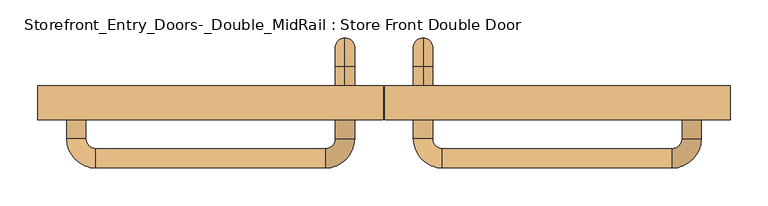
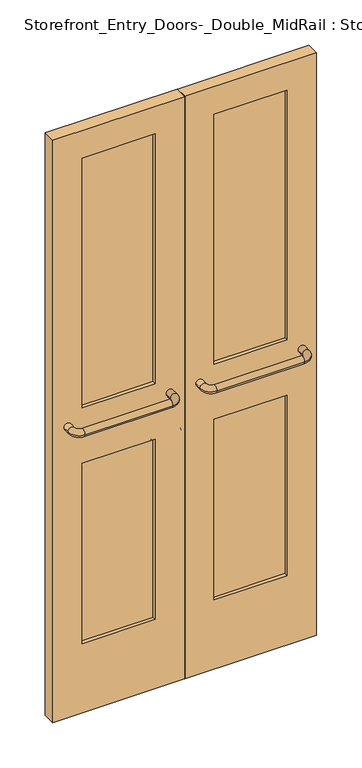
"""IFC4 building model written with IfcOpenShell, lengths in millimetres: door geometry, Storefront_Entry_Doors-_Double_MidRail : Store Front Double Door."""

from ifc_helpers import new_model, si_unit, point, frame, origin, place, context, project, spatial, polyline, circle_curve, ellipse_curve, trimmed, outline, extrude, source, transform, mapped, element, save
from ifc_brep_helpers import plane_surface, cylinder_surface, revolved_surface, advanced_brep


def storefront_entry_doors_double_midrail_store_front_double_24a458a9(model_context):
    return source(origin(), model_context, "Body", "SolidModel", [
        advanced_brep(
        [(51.59375, 50.8, 1079.5), (51.59375, 50.8, 1054.1), (51.59375, 76.2, 1079.5), (51.59375, 76.2, 1054.1), (51.59375, 88.9, 1041.4), (51.59375, 114.3, 1041.4), (51.59375, 114.3, 863.6), (51.59375, 88.9, 863.6), (51.59375, 76.2, 850.9), (51.59375, 76.2, 825.5), (51.59375, 50.8, 825.5), (51.59375, 50.8, 850.9)],
        [
            (0, 1, circle_curve(frame((51.59375, 50.8, 1066.8), z_axis=(0.0, -1.0, 0.0), x_axis=(0.0, 0.0, -1.0)), 12.7)),
            (1, 0, circle_curve(frame((51.59375, 50.8, 1066.8), z_axis=(0.0, -1.0, 0.0), x_axis=(0.0, 0.0, -1.0)), 12.7)),
            (0, 2),
            (2, 3, circle_curve(frame((51.59375, 76.2, 1066.8), z_axis=(0.0, -1.0, 0.0), x_axis=(0.0, 0.0, -1.0)), 12.7)),
            (3, 1),
            (3, 2, circle_curve(frame((51.59375, 76.2, 1066.8), z_axis=(0.0, -1.0, 0.0), x_axis=(0.0, 0.0, -1.0)), 12.7)),
            (4, 3, circle_curve(frame((51.59375, 76.2, 1041.4), z_axis=(1.0, 0.0, 0.0), x_axis=(0.0, 0.0, 1.0)), 12.7)),
            (2, 5, circle_curve(frame((51.59375, 76.2, 1041.4), z_axis=(-1.0, 0.0, 0.0), x_axis=(0.0, 0.0, 1.0)), 38.1)),
            (5, 4, circle_curve(frame((51.59375, 101.6, 1041.4), z_axis=(0.0, 0.0, 1.0), x_axis=(0.0, -1.0, 0.0)), 12.7)),
            (4, 5, circle_curve(frame((51.59375, 101.6, 1041.4), z_axis=(0.0, 0.0, 1.0), x_axis=(0.0, -1.0, 0.0)), 12.7)),
            (5, 6),
            (6, 7, circle_curve(frame((51.59375, 101.6, 863.6), z_axis=(0.0, 0.0, 1.0), x_axis=(0.0, -1.0, 0.0)), 12.7)),
            (7, 4),
            (7, 6, circle_curve(frame((51.59375, 101.6, 863.6), z_axis=(0.0, 0.0, 1.0), x_axis=(0.0, -1.0, 0.0)), 12.7)),
            (8, 7, circle_curve(frame((51.59375, 76.2, 863.6), z_axis=(1.0, 0.0, 0.0), x_axis=(0.0, 1.0, 0.0)), 12.7)),
            (6, 9, circle_curve(frame((51.59375, 76.2, 863.6), z_axis=(-1.0, 0.0, 0.0), x_axis=(0.0, 1.0, 0.0)), 38.1)),
            (9, 8, circle_curve(frame((51.59375, 76.2, 838.2), z_axis=(0.0, 1.0, 0.0), x_axis=(0.0, 0.0, 1.0)), 12.7)),
            (8, 9, circle_curve(frame((51.59375, 76.2, 838.2), z_axis=(0.0, 1.0, 0.0), x_axis=(0.0, 0.0, 1.0)), 12.7)),
            (10, 11, circle_curve(frame((51.59375, 50.8, 838.2), z_axis=(0.0, -1.0, 0.0), x_axis=(0.0, 0.0, 1.0)), 12.7)),
            (11, 10, circle_curve(frame((51.59375, 50.8, 838.2), z_axis=(0.0, -1.0, 0.0), x_axis=(0.0, 0.0, 1.0)), 12.7)),
            (9, 10),
            (11, 8),
        ],
        [
            plane_surface(frame((51.59375, 50.8, 1066.8), z_axis=(0.0, -1.0, 0.0), x_axis=(-1.0, 0.0, 0.0))),
            cylinder_surface(frame((51.59375, 50.8, 1066.8), z_axis=(0.0, -1.0, 0.0), x_axis=(0.0, 0.0, -1.0)), 12.7),
            revolved_surface(trimmed(ellipse_curve(frame((51.59375, 76.2, 1066.8), z_axis=(0.0, -1.0, 0.0), x_axis=(0.0, 0.0, -1.0)), 12.7, 12.7), [point((51.59375, 76.2, 1079.5))], [point((51.59375, 76.2, 1054.1))], True, "CARTESIAN"), (51.59375, 76.2, 1041.4), (-1.0, 0.0, 0.0)),
            revolved_surface(trimmed(ellipse_curve(frame((51.59375, 76.2, 1066.8), z_axis=(0.0, -1.0, 0.0), x_axis=(0.0, 0.0, -1.0)), 12.7, 12.7), [point((51.59375, 76.2, 1054.1))], [point((51.59375, 76.2, 1079.5))], True, "CARTESIAN"), (51.59375, 76.2, 1041.4), (-1.0, 0.0, 0.0)),
            cylinder_surface(frame((51.59375, 101.6, 1041.4), z_axis=(0.0, 0.0, 1.0), x_axis=(0.0, -1.0, 0.0)), 12.7),
            revolved_surface(trimmed(ellipse_curve(frame((51.59375, 101.6, 863.6), z_axis=(0.0, 0.0, 1.0), x_axis=(0.0, -1.0, 0.0)), 12.7, 12.7), [point((51.59375, 114.3, 863.6))], [point((51.59375, 88.9, 863.6))], True, "CARTESIAN"), (51.59375, 76.2, 863.6), (-1.0, 0.0, 0.0)),
            revolved_surface(trimmed(ellipse_curve(frame((51.59375, 101.6, 863.6), z_axis=(0.0, 0.0, 1.0), x_axis=(0.0, -1.0, 0.0)), 12.7, 12.7), [point((51.59375, 88.9, 863.6))], [point((51.59375, 114.3, 863.6))], True, "CARTESIAN"), (51.59375, 76.2, 863.6), (-1.0, 0.0, 0.0)),
            plane_surface(frame((51.59375, 50.8, 838.2), z_axis=(0.0, -1.0, 0.0), x_axis=(-1.0, 0.0, 0.0))),
            cylinder_surface(frame((51.59375, 76.2, 838.2), z_axis=(0.0, 1.0, 0.0), x_axis=(0.0, 0.0, 1.0)), 12.7),
        ],
        [
            (0, [[1, 2]]),
            (1, [[-1, 3, 4, 5]]),
            (1, [[-2, -5, 6, -3]]),
            (2, [[7, -4, 8, 9]]),
            (3, [[-8, -6, -7, 10]]),
            (4, [[-9, 11, 12, 13]]),
            (4, [[-10, -13, 14, -11]]),
            (5, [[15, -12, 16, 17]]),
            (6, [[-16, -14, -15, 18]]),
            (7, [[19, 20]]),
            (8, [[-17, 21, -20, 22]]),
            (8, [[-18, -22, -19, -21]]),
        ],
    ),
        advanced_brep(
        [(393.7, 6.35, 1066.8), (419.1, 6.35, 1066.8), (393.7, -19.05, 1066.8), (419.1, -19.05, 1066.8), (381.0, -57.15, 1066.8), (381.0, -31.75, 1066.8), (76.99375, -31.75, 1066.8), (76.99375, -57.15, 1066.8), (38.89375, -19.05, 1066.8), (64.29375, -19.05, 1066.8), (64.29375, 6.35, 1066.8), (38.89375, 6.35, 1066.8)],
        [
            (0, 1, circle_curve(frame((406.4, 6.35, 1066.8), z_axis=(0.0, 1.0, 0.0), x_axis=(1.0, 0.0, 0.0)), 12.7)),
            (1, 0, circle_curve(frame((406.4, 6.35, 1066.8), z_axis=(0.0, 1.0, 0.0), x_axis=(1.0, 0.0, 0.0)), 12.7)),
            (0, 2),
            (2, 3, circle_curve(frame((406.4, -19.05, 1066.8), z_axis=(0.0, 1.0, 0.0), x_axis=(1.0, 0.0, 0.0)), 12.7)),
            (3, 1),
            (3, 2, circle_curve(frame((406.4, -19.05, 1066.8), z_axis=(0.0, 1.0, 0.0), x_axis=(1.0, 0.0, 0.0)), 12.7)),
            (4, 3, circle_curve(frame((381.0, -19.05, 1066.8), z_axis=(0.0, 0.0, 1.0), x_axis=(1.0, 0.0, 0.0)), 38.1)),
            (2, 5, circle_curve(frame((381.0, -19.05, 1066.8), z_axis=(0.0, 0.0, -1.0), x_axis=(1.0, 0.0, 0.0)), 12.7)),
            (5, 4, circle_curve(frame((381.0, -44.45, 1066.8), z_axis=(1.0, 0.0, 0.0), x_axis=(0.0, -1.0, 0.0)), 12.7)),
            (4, 5, circle_curve(frame((381.0, -44.45, 1066.8), z_axis=(1.0, 0.0, 0.0), x_axis=(0.0, -1.0, 0.0)), 12.7)),
            (5, 6),
            (6, 7, circle_curve(frame((76.99375, -44.45, 1066.8), z_axis=(1.0, 0.0, 0.0), x_axis=(0.0, -1.0, 0.0)), 12.7)),
            (7, 4),
            (7, 6, circle_curve(frame((76.99375, -44.45, 1066.8), z_axis=(1.0, 0.0, 0.0), x_axis=(0.0, -1.0, 0.0)), 12.7)),
            (8, 7, circle_curve(frame((76.99375, -19.05, 1066.8), z_axis=(0.0, 0.0, 1.0), x_axis=(0.0, -1.0, 0.0)), 38.1)),
            (6, 9, circle_curve(frame((76.99375, -19.05, 1066.8), z_axis=(0.0, 0.0, -1.0), x_axis=(0.0, -1.0, 0.0)), 12.7)),
            (9, 8, circle_curve(frame((51.59375, -19.05, 1066.8), z_axis=(0.0, -1.0, 0.0), x_axis=(-1.0, 0.0, 0.0)), 12.7)),
            (8, 9, circle_curve(frame((51.59375, -19.05, 1066.8), z_axis=(0.0, -1.0, 0.0), x_axis=(-1.0, 0.0, 0.0)), 12.7)),
            (10, 11, circle_curve(frame((51.59375, 6.35, 1066.8), z_axis=(0.0, 1.0, 0.0), x_axis=(-1.0, 0.0, 0.0)), 12.7)),
            (11, 10, circle_curve(frame((51.59375, 6.35, 1066.8), z_axis=(0.0, 1.0, 0.0), x_axis=(-1.0, 0.0, 0.0)), 12.7)),
            (9, 10),
            (11, 8),
        ],
        [
            plane_surface(frame((406.4, 6.35, 1066.8), z_axis=(0.0, 1.0, 0.0), x_axis=(0.0, 0.0, 1.0))),
            cylinder_surface(frame((406.4, 6.35, 1066.8), z_axis=(0.0, 1.0, 0.0), x_axis=(1.0, 0.0, 0.0)), 12.7),
            revolved_surface(trimmed(ellipse_curve(frame((406.4, -19.05, 1066.8), z_axis=(0.0, 1.0, 0.0), x_axis=(1.0, 0.0, 0.0)), 12.7, 12.7), [point((393.7, -19.05, 1066.8))], [point((419.1, -19.05, 1066.8))], True, "CARTESIAN"), (381.0, -19.05, 1066.8), (0.0, 0.0, -1.0)),
            revolved_surface(trimmed(ellipse_curve(frame((406.4, -19.05, 1066.8), z_axis=(0.0, 1.0, 0.0), x_axis=(1.0, 0.0, 0.0)), 12.7, 12.7), [point((419.1, -19.05, 1066.8))], [point((393.7, -19.05, 1066.8))], True, "CARTESIAN"), (381.0, -19.05, 1066.8), (0.0, 0.0, -1.0)),
            cylinder_surface(frame((381.0, -44.45, 1066.8), z_axis=(1.0, 0.0, 0.0), x_axis=(0.0, -1.0, 0.0)), 12.7),
            revolved_surface(trimmed(ellipse_curve(frame((76.99375, -44.45, 1066.8), z_axis=(1.0, 0.0, 0.0), x_axis=(0.0, -1.0, 0.0)), 12.7, 12.7), [point((76.99375, -31.75, 1066.8))], [point((76.99375, -57.15, 1066.8))], True, "CARTESIAN"), (76.99375, -19.05, 1066.8), (0.0, 0.0, -1.0)),
            revolved_surface(trimmed(ellipse_curve(frame((76.99375, -44.45, 1066.8), z_axis=(1.0, 0.0, 0.0), x_axis=(0.0, -1.0, 0.0)), 12.7, 12.7), [point((76.99375, -57.15, 1066.8))], [point((76.99375, -31.75, 1066.8))], True, "CARTESIAN"), (76.99375, -19.05, 1066.8), (0.0, 0.0, -1.0)),
            plane_surface(frame((51.59375, 6.35, 1066.8), z_axis=(0.0, 1.0, 0.0), x_axis=(0.0, 0.0, 1.0))),
            cylinder_surface(frame((51.59375, -19.05, 1066.8), z_axis=(0.0, -1.0, 0.0), x_axis=(-1.0, 0.0, 0.0)), 12.7),
        ],
        [
            (0, [[1, 2]]),
            (1, [[-1, 3, 4, 5]]),
            (1, [[-2, -5, 6, -3]]),
            (2, [[7, -4, 8, 9]]),
            (3, [[-8, -6, -7, 10]]),
            (4, [[-9, 11, 12, 13]]),
            (4, [[-10, -13, 14, -11]]),
            (5, [[15, -12, 16, 17]]),
            (6, [[-16, -14, -15, 18]]),
            (7, [[19, 20]]),
            (8, [[-17, 21, -20, 22]]),
            (8, [[-18, -22, -19, -21]]),
        ],
    ),
        advanced_brep(
        [(-51.59375, 50.8, 1054.1), (-51.59375, 50.8, 1079.5), (-51.59375, 76.2, 1054.1), (-51.59375, 76.2, 1079.5), (-51.59375, 114.3, 1041.4), (-51.59375, 88.9, 1041.4), (-51.59375, 88.9, 863.6), (-51.59375, 114.3, 863.6), (-51.59375, 76.2, 825.5), (-51.59375, 76.2, 850.9), (-51.59375, 50.8, 850.9), (-51.59375, 50.8, 825.5)],
        [
            (0, 1, circle_curve(frame((-51.59375, 50.8, 1066.8), z_axis=(0.0, -1.0, 0.0), x_axis=(0.0, 0.0, 1.0)), 12.7)),
            (1, 0, circle_curve(frame((-51.59375, 50.8, 1066.8), z_axis=(0.0, -1.0, 0.0), x_axis=(0.0, 0.0, 1.0)), 12.7)),
            (0, 2),
            (2, 3, circle_curve(frame((-51.59375, 76.2, 1066.8), z_axis=(0.0, -1.0, 0.0), x_axis=(0.0, 0.0, 1.0)), 12.7)),
            (3, 1),
            (3, 2, circle_curve(frame((-51.59375, 76.2, 1066.8), z_axis=(0.0, -1.0, 0.0), x_axis=(0.0, 0.0, 1.0)), 12.7)),
            (4, 3, circle_curve(frame((-51.59375, 76.2, 1041.4), z_axis=(1.0, 0.0, 0.0), x_axis=(0.0, 0.0, 1.0)), 38.1)),
            (2, 5, circle_curve(frame((-51.59375, 76.2, 1041.4), z_axis=(-1.0, 0.0, 0.0), x_axis=(0.0, 0.0, 1.0)), 12.7)),
            (5, 4, circle_curve(frame((-51.59375, 101.6, 1041.4), z_axis=(0.0, 0.0, 1.0), x_axis=(0.0, 1.0, 0.0)), 12.7)),
            (4, 5, circle_curve(frame((-51.59375, 101.6, 1041.4), z_axis=(0.0, 0.0, 1.0), x_axis=(0.0, 1.0, 0.0)), 12.7)),
            (5, 6),
            (6, 7, circle_curve(frame((-51.59375, 101.6, 863.6), z_axis=(0.0, 0.0, 1.0), x_axis=(0.0, 1.0, 0.0)), 12.7)),
            (7, 4),
            (7, 6, circle_curve(frame((-51.59375, 101.6, 863.6), z_axis=(0.0, 0.0, 1.0), x_axis=(0.0, 1.0, 0.0)), 12.7)),
            (8, 7, circle_curve(frame((-51.59375, 76.2, 863.6), z_axis=(1.0, 0.0, 0.0), x_axis=(0.0, 1.0, 0.0)), 38.1)),
            (6, 9, circle_curve(frame((-51.59375, 76.2, 863.6), z_axis=(-1.0, 0.0, 0.0), x_axis=(0.0, 1.0, 0.0)), 12.7)),
            (9, 8, circle_curve(frame((-51.59375, 76.2, 838.2), z_axis=(0.0, 1.0, 0.0), x_axis=(0.0, 0.0, -1.0)), 12.7)),
            (8, 9, circle_curve(frame((-51.59375, 76.2, 838.2), z_axis=(0.0, 1.0, 0.0), x_axis=(0.0, 0.0, -1.0)), 12.7)),
            (10, 11, circle_curve(frame((-51.59375, 50.8, 838.2), z_axis=(0.0, -1.0, 0.0), x_axis=(0.0, 0.0, -1.0)), 12.7)),
            (11, 10, circle_curve(frame((-51.59375, 50.8, 838.2), z_axis=(0.0, -1.0, 0.0), x_axis=(0.0, 0.0, -1.0)), 12.7)),
            (9, 10),
            (11, 8),
        ],
        [
            plane_surface(frame((-51.59375, 50.8, 1066.8), z_axis=(0.0, -1.0, 0.0), x_axis=(1.0, 0.0, 0.0))),
            cylinder_surface(frame((-51.59375, 50.8, 1066.8), z_axis=(0.0, -1.0, 0.0), x_axis=(0.0, 0.0, 1.0)), 12.7),
            revolved_surface(trimmed(ellipse_curve(frame((-51.59375, 76.2, 1066.8), z_axis=(0.0, -1.0, 0.0), x_axis=(0.0, 0.0, 1.0)), 12.7, 12.7), [point((-51.59375, 76.2, 1054.1))], [point((-51.59375, 76.2, 1079.5))], True, "CARTESIAN"), (-51.59375, 76.2, 1041.4), (-1.0, 0.0, 0.0)),
            revolved_surface(trimmed(ellipse_curve(frame((-51.59375, 76.2, 1066.8), z_axis=(0.0, -1.0, 0.0), x_axis=(0.0, 0.0, 1.0)), 12.7, 12.7), [point((-51.59375, 76.2, 1079.5))], [point((-51.59375, 76.2, 1054.1))], True, "CARTESIAN"), (-51.59375, 76.2, 1041.4), (-1.0, 0.0, 0.0)),
            cylinder_surface(frame((-51.59375, 101.6, 1041.4), z_axis=(0.0, 0.0, 1.0), x_axis=(0.0, 1.0, 0.0)), 12.7),
            revolved_surface(trimmed(ellipse_curve(frame((-51.59375, 101.6, 863.6), z_axis=(0.0, 0.0, 1.0), x_axis=(0.0, 1.0, 0.0)), 12.7, 12.7), [point((-51.59375, 88.9, 863.6))], [point((-51.59375, 114.3, 863.6))], True, "CARTESIAN"), (-51.59375, 76.2, 863.6), (-1.0, 0.0, 0.0)),
            revolved_surface(trimmed(ellipse_curve(frame((-51.59375, 101.6, 863.6), z_axis=(0.0, 0.0, 1.0), x_axis=(0.0, 1.0, 0.0)), 12.7, 12.7), [point((-51.59375, 114.3, 863.6))], [point((-51.59375, 88.9, 863.6))], True, "CARTESIAN"), (-51.59375, 76.2, 863.6), (-1.0, 0.0, 0.0)),
            plane_surface(frame((-51.59375, 50.8, 838.2), z_axis=(0.0, -1.0, 0.0), x_axis=(1.0, 0.0, 0.0))),
            cylinder_surface(frame((-51.59375, 76.2, 838.2), z_axis=(0.0, 1.0, 0.0), x_axis=(0.0, 0.0, -1.0)), 12.7),
        ],
        [
            (0, [[1, 2]]),
            (1, [[-1, 3, 4, 5]]),
            (1, [[-2, -5, 6, -3]]),
            (2, [[7, -4, 8, 9]]),
            (3, [[-8, -6, -7, 10]]),
            (4, [[-9, 11, 12, 13]]),
            (4, [[-10, -13, 14, -11]]),
            (5, [[15, -12, 16, 17]]),
            (6, [[-16, -14, -15, 18]]),
            (7, [[19, 20]]),
            (8, [[-17, 21, -20, 22]]),
            (8, [[-18, -22, -19, -21]]),
        ],
    ),
        advanced_brep(
        [(-64.29375, 6.35, 1066.8), (-38.89375, 6.35, 1066.8), (-64.29375, -19.05, 1066.8), (-38.89375, -19.05, 1066.8), (-76.99375, -57.15, 1066.8), (-76.99375, -31.75, 1066.8), (-381.0, -31.75, 1066.8), (-381.0, -57.15, 1066.8), (-419.1, -19.05, 1066.8), (-393.7, -19.05, 1066.8), (-393.7, 6.35, 1066.8), (-419.1, 6.35, 1066.8)],
        [
            (0, 1, circle_curve(frame((-51.59375, 6.35, 1066.8), z_axis=(0.0, 1.0, 0.0), x_axis=(1.0, 0.0, 0.0)), 12.7)),
            (1, 0, circle_curve(frame((-51.59375, 6.35, 1066.8), z_axis=(0.0, 1.0, 0.0), x_axis=(1.0, 0.0, 0.0)), 12.7)),
            (0, 2),
            (2, 3, circle_curve(frame((-51.59375, -19.05, 1066.8), z_axis=(0.0, 1.0, 0.0), x_axis=(1.0, 0.0, 0.0)), 12.7)),
            (3, 1),
            (3, 2, circle_curve(frame((-51.59375, -19.05, 1066.8), z_axis=(0.0, 1.0, 0.0), x_axis=(1.0, 0.0, 0.0)), 12.7)),
            (4, 3, circle_curve(frame((-76.99375, -19.05, 1066.8), z_axis=(0.0, 0.0, 1.0), x_axis=(1.0, 0.0, 0.0)), 38.1)),
            (2, 5, circle_curve(frame((-76.99375, -19.05, 1066.8), z_axis=(0.0, 0.0, -1.0), x_axis=(1.0, 0.0, 0.0)), 12.7)),
            (5, 4, circle_curve(frame((-76.99375, -44.45, 1066.8), z_axis=(1.0, 0.0, 0.0), x_axis=(0.0, -1.0, 0.0)), 12.7)),
            (4, 5, circle_curve(frame((-76.99375, -44.45, 1066.8), z_axis=(1.0, 0.0, 0.0), x_axis=(0.0, -1.0, 0.0)), 12.7)),
            (5, 6),
            (6, 7, circle_curve(frame((-381.0, -44.45, 1066.8), z_axis=(1.0, 0.0, 0.0), x_axis=(0.0, -1.0, 0.0)), 12.7)),
            (7, 4),
            (7, 6, circle_curve(frame((-381.0, -44.45, 1066.8), z_axis=(1.0, 0.0, 0.0), x_axis=(0.0, -1.0, 0.0)), 12.7)),
            (8, 7, circle_curve(frame((-381.0, -19.05, 1066.8), z_axis=(0.0, 0.0, 1.0), x_axis=(0.0, -1.0, 0.0)), 38.1)),
            (6, 9, circle_curve(frame((-381.0, -19.05, 1066.8), z_axis=(0.0, 0.0, -1.0), x_axis=(0.0, -1.0, 0.0)), 12.7)),
            (9, 8, circle_curve(frame((-406.4, -19.05, 1066.8), z_axis=(0.0, -1.0, 0.0), x_axis=(-1.0, 0.0, 0.0)), 12.7)),
            (8, 9, circle_curve(frame((-406.4, -19.05, 1066.8), z_axis=(0.0, -1.0, 0.0), x_axis=(-1.0, 0.0, 0.0)), 12.7)),
            (10, 11, circle_curve(frame((-406.4, 6.35, 1066.8), z_axis=(0.0, 1.0, 0.0), x_axis=(-1.0, 0.0, 0.0)), 12.7)),
            (11, 10, circle_curve(frame((-406.4, 6.35, 1066.8), z_axis=(0.0, 1.0, 0.0), x_axis=(-1.0, 0.0, 0.0)), 12.7)),
            (9, 10),
            (11, 8),
        ],
        [
            plane_surface(frame((-51.59375, 6.35, 1066.8), z_axis=(0.0, 1.0, 0.0), x_axis=(0.0, 0.0, 1.0))),
            cylinder_surface(frame((-51.59375, 6.35, 1066.8), z_axis=(0.0, 1.0, 0.0), x_axis=(1.0, 0.0, 0.0)), 12.7),
            revolved_surface(trimmed(ellipse_curve(frame((-51.59375, -19.05, 1066.8), z_axis=(0.0, 1.0, 0.0), x_axis=(1.0, 0.0, 0.0)), 12.7, 12.7), [point((-64.29375, -19.05, 1066.8))], [point((-38.89375, -19.05, 1066.8))], True, "CARTESIAN"), (-76.99375, -19.05, 1066.8), (0.0, 0.0, -1.0)),
            revolved_surface(trimmed(ellipse_curve(frame((-51.59375, -19.05, 1066.8), z_axis=(0.0, 1.0, 0.0), x_axis=(1.0, 0.0, 0.0)), 12.7, 12.7), [point((-38.89375, -19.05, 1066.8))], [point((-64.29375, -19.05, 1066.8))], True, "CARTESIAN"), (-76.99375, -19.05, 1066.8), (0.0, 0.0, -1.0)),
            cylinder_surface(frame((-76.99375, -44.45, 1066.8), z_axis=(1.0, 0.0, 0.0), x_axis=(0.0, -1.0, 0.0)), 12.7),
            revolved_surface(trimmed(ellipse_curve(frame((-381.0, -44.45, 1066.8), z_axis=(1.0, 0.0, 0.0), x_axis=(0.0, -1.0, 0.0)), 12.7, 12.7), [point((-381.0, -31.75, 1066.8))], [point((-381.0, -57.15, 1066.8))], True, "CARTESIAN"), (-381.0, -19.05, 1066.8), (0.0, 0.0, -1.0)),
            revolved_surface(trimmed(ellipse_curve(frame((-381.0, -44.45, 1066.8), z_axis=(1.0, 0.0, 0.0), x_axis=(0.0, -1.0, 0.0)), 12.7, 12.7), [point((-381.0, -57.15, 1066.8))], [point((-381.0, -31.75, 1066.8))], True, "CARTESIAN"), (-381.0, -19.05, 1066.8), (0.0, 0.0, -1.0)),
            plane_surface(frame((-406.4, 6.35, 1066.8), z_axis=(0.0, 1.0, 0.0), x_axis=(0.0, 0.0, 1.0))),
            cylinder_surface(frame((-406.4, -19.05, 1066.8), z_axis=(0.0, -1.0, 0.0), x_axis=(-1.0, 0.0, 0.0)), 12.7),
        ],
        [
            (0, [[1, 2]]),
            (1, [[-1, 3, 4, 5]]),
            (1, [[-2, -5, 6, -3]]),
            (2, [[7, -4, 8, 9]]),
            (3, [[-8, -6, -7, 10]]),
            (4, [[-9, 11, 12, 13]]),
            (4, [[-10, -13, 14, -11]]),
            (5, [[15, -12, 16, 17]]),
            (6, [[-16, -14, -15, 18]]),
            (7, [[19, 20]]),
            (8, [[-17, 21, -20, 22]]),
            (8, [[-18, -22, -19, -21]]),
        ],
    ),
        extrude(outline(polyline([(355.6, 19.05), (102.39375, 19.05), (102.39375, 38.1), (355.6, 38.1), (355.6, 19.05)])), frame((0.0, 0.0, 1117.6), z_axis=(0.0, 0.0, 1.0), x_axis=(1.0, 0.0, 0.0)), (0.0, 0.0, 1.0), 914.4),
        extrude(outline(polyline([(355.6, 19.05), (102.39375, 19.05), (102.39375, 38.1), (355.6, 38.1), (355.6, 19.05)])), frame((0.0, 0.0, 254.0), z_axis=(0.0, 0.0, 1.0), x_axis=(1.0, 0.0, 0.0)), (0.0, 0.0, 1.0), 660.4),
        extrude(outline(polyline([(-102.39375, 19.05), (-355.6, 19.05), (-355.6, 38.1), (-102.39375, 38.1), (-102.39375, 19.05)])), frame((0.0, 0.0, 1117.6), z_axis=(0.0, 0.0, 1.0), x_axis=(1.0, 0.0, 0.0)), (0.0, 0.0, 1.0), 914.4),
        extrude(outline(polyline([(-102.39375, 19.05), (-355.6, 19.05), (-355.6, 38.1), (-102.39375, 38.1), (-102.39375, 19.05)])), frame((0.0, 0.0, 254.0), z_axis=(0.0, 0.0, 1.0), x_axis=(1.0, 0.0, 0.0)), (0.0, 0.0, 1.0), 660.4),
        extrude(outline(polyline([(2133.6, 0.79375), (0.0, 0.79375), (0.0, 457.2), (2133.6, 457.2), (2133.6, 0.79375)]), holes=[polyline([(2032.0, 102.39375), (2032.0, 355.6), (1117.6, 355.6), (1117.6, 102.39375), (2032.0, 102.39375)]), polyline([(914.4, 355.6), (254.0, 355.6), (254.0, 102.39375), (914.4, 102.39375), (914.4, 355.6)])]), frame((0.0, 6.35, 0.0), z_axis=(0.0, 1.0, 0.0), x_axis=(0.0, 0.0, 1.0)), (0.0, 0.0, 1.0), 44.45),
        extrude(outline(polyline([(2133.6, -0.79375), (2133.6, -457.2), (0.0, -457.2), (0.0, -0.79375), (2133.6, -0.79375)]), holes=[polyline([(2032.0, -355.6), (2032.0, -102.39375), (1117.6, -102.39375), (1117.6, -355.6), (2032.0, -355.6)]), polyline([(914.4, -102.39375), (254.0, -102.39375), (254.0, -355.6), (914.4, -355.6), (914.4, -102.39375)])]), frame((0.0, 6.35, 0.0), z_axis=(0.0, 1.0, 0.0), x_axis=(0.0, 0.0, 1.0)), (0.0, 0.0, 1.0), 44.45),
    ])


if __name__ == "__main__":
    model = new_model("IFC4")
    model_context = context("Model", 3, world=origin())
    ifc_project = project(units=[si_unit("LENGTHUNIT", "METRE", prefix="MILLI")], contexts=[model_context])
    site = spatial("IfcSite", under=ifc_project)
    building = spatial("IfcBuilding", under=site)
    placement = place(None, origin())
    storefront_entry_doors_double_midrail_store_front_double_shape = storefront_entry_doors_double_midrail_store_front_double_24a458a9(model_context)
    element("IfcDoor", 1, ObjectType="Storefront_Entry_Doors-_Double_MidRail : Store Front Double Door", at=placement, inside=building, context=model_context, shape_type="MappedRepresentation", body=[
        mapped(storefront_entry_doors_double_midrail_store_front_double_shape, transform((0.0, 0.0, 0.0), x_axis=(1.0, 0.0, 0.0), y_axis=(0.0, 1.0, 0.0), z_axis=(0.0, 0.0, 1.0))),
    ])
    save(model, "model.ifc")
